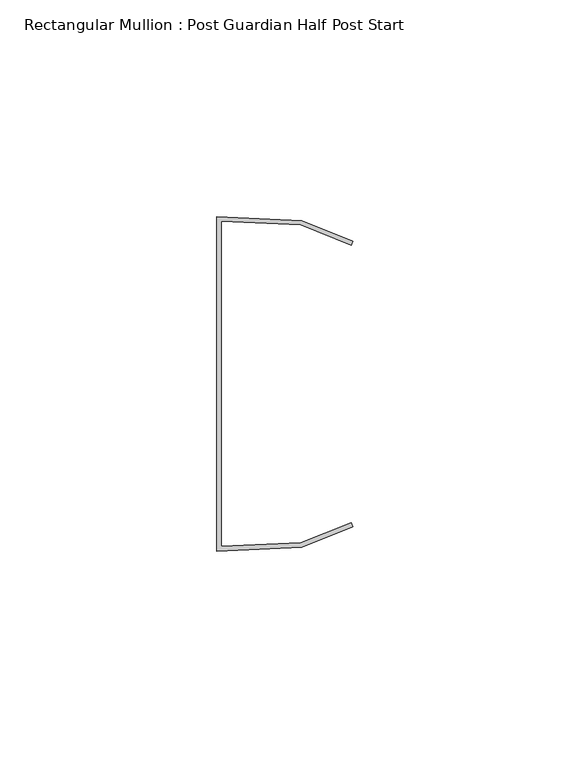
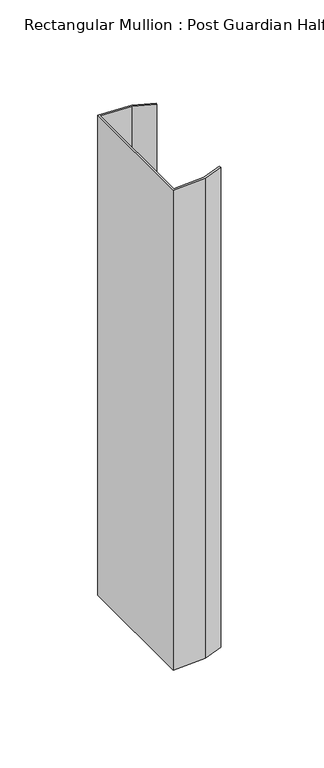
"""IFC4 building model written with IfcOpenShell, lengths in millimetres: member geometry, Rectangular Mullion : Post Guardian Half Post Start."""

from ifc_helpers import new_model, si_unit, frame, origin, place, context, project, spatial, polyline, outline, extrude, source, transform, mapped, element, save


def rectangular_mullion_post_guardian_half_post_start_c0556b29(model_context):
    return source(origin(), model_context, "Body", "SweptSolid", [
        extrude(outline(polyline([(-12.0155838, 36.6491978), (-30.370288, 37.5), (-30.370288, -37.5), (-12.0155838, -36.6491978), (-0.370288, -32.007111), (0.0, -32.936028), (-11.8014051, -37.6403436), (-31.370288, -38.5474271), (-31.370288, 38.5474271), (-11.8014051, 37.6403436), (0.0, 32.936028), (-0.370288, 32.007111), (-12.0155838, 36.6491978)])), frame((0.0, 0.0, -300.0), z_axis=(0.0, 0.0, 1.0), x_axis=(1.0, 0.0, 0.0)), (0.0, 0.0, 1.0), 300.0),
    ])


if __name__ == "__main__":
    model = new_model("IFC4")
    model_context = context("Model", 3, world=origin())
    ifc_project = project(units=[si_unit("LENGTHUNIT", "METRE", prefix="MILLI")], contexts=[model_context])
    site = spatial("IfcSite", under=ifc_project)
    building = spatial("IfcBuilding", under=site)
    placement = place(None, origin())
    rectangular_mullion_post_guardian_half_post_start_shape = rectangular_mullion_post_guardian_half_post_start_c0556b29(model_context)
    element("IfcMember", 1, ObjectType="Rectangular Mullion : Post Guardian Half Post Start", at=placement, inside=building, context=model_context, shape_type="MappedRepresentation", body=[
        mapped(rectangular_mullion_post_guardian_half_post_start_shape, transform((0.0, 0.0, 0.0), x_axis=(1.0, 0.0, 0.0), y_axis=(0.0, 1.0, 0.0), z_axis=(0.0, 0.0, 1.0))),
    ])
    save(model, "model.ifc")
